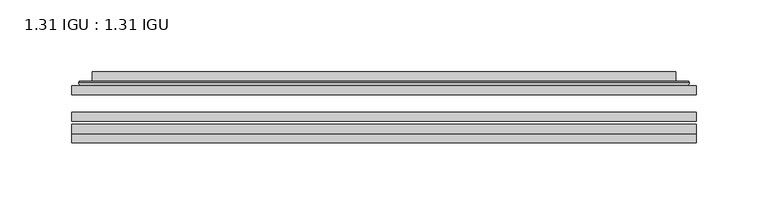
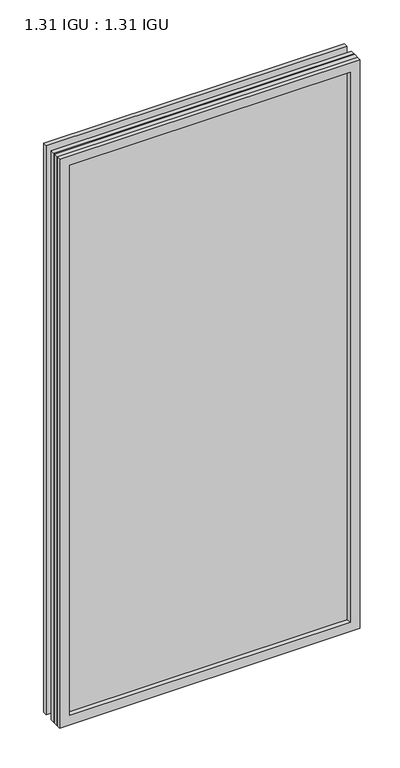
"""IFC4 building model written with IfcOpenShell, lengths in millimetres: plate geometry, 1.31 IGU : 1.31 IGU."""

from ifc_helpers import new_model, si_unit, frame, origin, place, context, project, spatial, polyline, ellipse_curve, outline, extrude, faceted_brep, source, transform, mapped, element, save
from ifc_brep_helpers import plane_surface, cylinder_surface, advanced_brep


def plate_1_31_igu_1_31_igu_93a244e7(model_context):
    return source(origin(), model_context, "Body", "SolidModel", [
        extrude(outline(polyline([(217.501675, -63.2975937), (217.501675, -69.6475938), (-217.4875, -69.6475938), (-217.4875, -63.2975937), (217.501675, -63.2975937)])), frame((0.0, 0.0, -14.2875), z_axis=(0.0, 0.0, 1.0), x_axis=(1.0, 0.0, 0.0)), (0.0, 0.0, 1.0), 869.9537979),
        extrude(outline(polyline([(-217.4875, -78.2835938), (-217.4875, -71.9330887), (217.501675, -71.9330887), (217.501675, -78.2835938), (-217.4875, -78.2835938)])), frame((0.0, 0.0, -14.2875), z_axis=(0.0, 0.0, 1.0), x_axis=(1.0, 0.0, 0.0)), (0.0, 0.0, 1.0), 869.9537979),
        extrude(outline(polyline([(217.501675, -44.9587937), (217.501675, -51.3087938), (-217.4875, -51.3087938), (-217.4875, -44.9587937), (217.501675, -44.9587937)])), frame((0.0, 0.0, -14.2875), z_axis=(0.0, 0.0, 1.0), x_axis=(1.0, 0.0, 0.0)), (0.0, 0.0, 1.0), 869.9537979),
        faceted_brep([(-217.5002, -84.6335937, 855.6752), (-217.5002, -78.2835937, 855.6752), (-217.5002, -78.2835937, -14.3002), (-217.5002, -84.6335937, -14.3002), (217.5002, -78.2835937, -14.3002), (217.5002, -84.6335937, -14.3002), (217.5002, -78.2835937, 855.6752), (217.5002, -84.6335937, 855.6752), (-202.3022559, -78.2835937, 0.8977441), (202.3022559, -78.2835937, 0.8977441), (202.3022559, -78.2835937, 840.4772559), (-202.3022559, -78.2835937, 840.4772559), (-203.1946902, -84.6335937, 841.3696902), (203.1946902, -84.6335937, 841.3696902), (203.1946902, -84.6335937, 0.0053098), (-203.1946902, -84.6335937, 0.0053098)], [[[0, 1, 2, 3]], [[3, 2, 4, 5]], [[5, 4, 6, 7]], [[1, 6, 4, 2], [8, 9, 10, 11]], [[7, 6, 1, 0]], [[3, 5, 7, 0], [12, 13, 14, 15]], [[11, 12, 15, 8]], [[8, 15, 14, 9]], [[9, 14, 13, 10]], [[10, 13, 12, 11]]]),
        advanced_brep(
        [(-210.246219, -44.9587937, 848.421219), (-212.6004244, -42.9691271, 850.7754244), (-212.6004244, -42.9691271, -9.4004244), (-210.246219, -44.9587937, -7.046219), (-201.1718939, -41.1187568, 839.3468939), (-196.2370621, -44.9587937, 834.4120621), (-196.2370621, -44.9587937, 6.9629379), (-201.1718939, -41.1187568, 2.0281061), (-202.2039217, -35.7215256, 840.3789217), (-202.2039217, -35.7215256, 0.9960783), (-203.1945784, -35.3225507, 841.3695784), (-203.1945784, -35.3225507, 0.0054216), (-203.1945784, -41.7837937, 841.3695784), (-203.1945784, -41.7837937, 0.0054216), (-211.5986349, -41.7837937, 849.7736349), (-211.5986349, -41.7837937, -8.3986349), (212.6004244, -42.9691271, -9.4004244), (210.246219, -44.9587937, -7.046219), (196.2370621, -44.9587937, 6.9629379), (201.1718939, -41.1187568, 2.0281061), (202.2039217, -35.7215256, 0.9960783), (203.1945784, -35.3225507, 0.0054216), (203.1945784, -41.7837937, 0.0054216), (211.5986349, -41.7837937, -8.3986349), (212.6004244, -42.9691271, 850.7754244), (210.246219, -44.9587937, 848.421219), (196.2370621, -44.9587937, 834.4120621), (201.1718939, -41.1187568, 839.3468939), (202.2039217, -35.7215256, 840.3789217), (203.1945784, -35.3225507, 841.3695784), (203.1945784, -41.7837937, 841.3695784), (211.5986349, -41.7837937, 849.7736349)],
        [
            (0, 1, ellipse_curve(frame((-210.246219, -42.5711937, 848.421219), z_axis=(-0.7071067811865475, 0.0, -0.7071067811865475), x_axis=(-0.7071067811865474, 0.0, 0.7071067811865476)), 3.3765763, 2.3876)),
            (1, 2),
            (2, 3, ellipse_curve(frame((-210.246219, -42.5711937, -7.046219), z_axis=(-0.7071067811865475, 0.0, 0.7071067811865475), x_axis=(0.7071067811865474, 0.0, 0.7071067811865476)), 3.3765763, 2.3876)),
            (3, 0),
            (4, 5),
            (5, 6),
            (6, 7),
            (7, 4),
            (8, 4),
            (7, 9),
            (9, 8),
            (10, 8, ellipse_curve(frame((-202.8276219, -35.840786, 841.0026219), z_axis=(-0.7071067811865475, 0.0, -0.7071067811865475), x_axis=(-0.7071067811865474, 0.0, 0.7071067811865476)), 0.8980256, 0.635)),
            (9, 11, ellipse_curve(frame((-202.8276219, -35.840786, 0.3723781), z_axis=(-0.7071067811865475, 0.0, 0.7071067811865475), x_axis=(0.7071067811865474, 0.0, 0.7071067811865476)), 0.8980256, 0.635)),
            (11, 10),
            (12, 10),
            (11, 13),
            (13, 12),
            (1, 14, ellipse_curve(frame((-211.5986349, -42.7997937, 849.7736349), z_axis=(-0.7071067811865475, 0.0, -0.7071067811865475), x_axis=(-0.7071067811865474, 0.0, 0.7071067811865476)), 1.436841, 1.016)),
            (14, 15),
            (15, 2, ellipse_curve(frame((-211.5986349, -42.7997937, -8.3986349), z_axis=(-0.7071067811865475, 0.0, 0.7071067811865475), x_axis=(0.7071067811865474, 0.0, 0.7071067811865476)), 1.436841, 1.016)),
            (2, 16),
            (16, 17, ellipse_curve(frame((210.246219, -42.5711937, -7.046219), z_axis=(-0.7071067811865475, 0.0, -0.7071067811865475), x_axis=(-0.7071067811865476, 0.0, 0.7071067811865474)), 3.3765763, 2.3876)),
            (17, 3),
            (6, 18),
            (18, 19),
            (19, 7),
            (19, 20),
            (20, 9),
            (20, 21, ellipse_curve(frame((202.8276219, -35.840786, 0.3723781), z_axis=(-0.7071067811865475, 0.0, -0.7071067811865475), x_axis=(-0.7071067811865476, 0.0, 0.7071067811865474)), 0.8980256, 0.635)),
            (21, 11),
            (21, 22),
            (22, 13),
            (15, 23),
            (23, 16, ellipse_curve(frame((211.5986349, -42.7997937, -8.3986349), z_axis=(-0.7071067811865475, 0.0, -0.7071067811865475), x_axis=(-0.7071067811865476, 0.0, 0.7071067811865474)), 1.436841, 1.016)),
            (16, 24),
            (24, 25, ellipse_curve(frame((210.246219, -42.5711937, 848.421219), z_axis=(0.7071067811865475, 0.0, -0.7071067811865475), x_axis=(-0.7071067811865474, 0.0, -0.7071067811865476)), 3.3765763, 2.3876)),
            (25, 17),
            (18, 26),
            (26, 27),
            (27, 19),
            (27, 28),
            (28, 20),
            (28, 29, ellipse_curve(frame((202.8276219, -35.840786, 841.0026219), z_axis=(0.7071067811865475, 0.0, -0.7071067811865475), x_axis=(-0.7071067811865474, 0.0, -0.7071067811865476)), 0.8980256, 0.635)),
            (29, 21),
            (29, 30),
            (30, 22),
            (23, 31),
            (31, 24, ellipse_curve(frame((211.5986349, -42.7997937, 849.7736349), z_axis=(0.7071067811865475, 0.0, -0.7071067811865475), x_axis=(-0.7071067811865474, 0.0, -0.7071067811865476)), 1.436841, 1.016)),
            (24, 1),
            (0, 25),
            (5, 26),
            (4, 27),
            (8, 28),
            (10, 29),
            (12, 30),
            (14, 31),
        ],
        [
            cylinder_surface(frame((-210.246219, -42.5711937, 873.125), z_axis=(0.0, 0.0, 1.0), x_axis=(-1.0, 0.0, 0.0)), 2.3876),
            plane_surface(frame((-196.2370621, -44.9587937, 834.4120621), z_axis=(0.6141233906514794, 0.7892100234124821, 0.0), x_axis=(0.0, 0.0, -1.0))),
            plane_surface(frame((-201.1718939, -41.1187568, 839.3468939), z_axis=(0.9822050625507729, 0.18781164793386074, 0.0), x_axis=(0.0, 0.0, -1.0))),
            cylinder_surface(frame((-202.8276219, -35.840786, 873.125), z_axis=(0.0, 0.0, 1.0), x_axis=(-1.0, 0.0, 0.0)), 0.635),
            plane_surface(frame((-203.1945784, -35.3225507, 841.3695784), z_axis=(-1.0, 0.0, 0.0), x_axis=(0.0, 0.0, -1.0))),
            cylinder_surface(frame((-211.5986349, -42.7997937, 873.125), z_axis=(0.0, 0.0, 1.0), x_axis=(-1.0, 0.0, 0.0)), 1.016),
            cylinder_surface(frame((-234.95, -42.5711937, -7.046219), z_axis=(-1.0, 0.0, 0.0), x_axis=(0.0, 0.0, -1.0)), 2.3876),
            plane_surface(frame((-196.2370621, -44.9587937, 6.9629379), z_axis=(0.0, 0.7892100234124841, 0.6141233906514768), x_axis=(1.0, 0.0, 0.0))),
            plane_surface(frame((-201.1718939, -41.1187568, 2.0281061), z_axis=(0.0, 0.18781164793386393, 0.9822050625507723), x_axis=(1.0, 0.0, 0.0))),
            cylinder_surface(frame((-234.95, -35.840786, 0.3723781), z_axis=(-1.0, 0.0, 0.0), x_axis=(0.0, 0.0, -1.0)), 0.635),
            plane_surface(frame((-203.1945784, -35.3225507, 0.0054216), z_axis=(0.0, 0.0, -1.0), x_axis=(1.0, 0.0, 0.0))),
            cylinder_surface(frame((-234.95, -42.7997937, -8.3986349), z_axis=(-1.0, 0.0, 0.0), x_axis=(0.0, 0.0, -1.0)), 1.016),
            cylinder_surface(frame((210.246219, -42.5711937, -31.75), z_axis=(0.0, 0.0, -1.0), x_axis=(1.0, 0.0, 0.0)), 2.3876),
            plane_surface(frame((196.2370621, -44.9587937, 6.9629379), z_axis=(-0.6141233906514743, 0.7892100234124861, 0.0), x_axis=(0.0, 0.0, 1.0))),
            plane_surface(frame((201.1718939, -41.1187568, 2.0281061), z_axis=(-0.9822050625507718, 0.18781164793386712, 0.0), x_axis=(0.0, 0.0, 1.0))),
            cylinder_surface(frame((202.8276219, -35.840786, -31.75), z_axis=(0.0, 0.0, -1.0), x_axis=(1.0, 0.0, 0.0)), 0.635),
            plane_surface(frame((203.1945784, -35.3225507, 0.0054216), z_axis=(1.0, 0.0, 0.0), x_axis=(0.0, 0.0, 1.0))),
            cylinder_surface(frame((211.5986349, -42.7997937, -31.75), z_axis=(0.0, 0.0, -1.0), x_axis=(1.0, 0.0, 0.0)), 1.016),
            cylinder_surface(frame((234.95, -42.5711937, 848.421219), z_axis=(1.0, 0.0, 0.0), x_axis=(0.0, 0.0, 1.0)), 2.3876),
            plane_surface(frame((210.246219, -44.9587937, 848.421219), z_axis=(0.0, -1.0, 0.0), x_axis=(-1.0, 0.0, 0.0))),
            plane_surface(frame((196.2370621, -44.9587937, 834.4120621), z_axis=(0.0, 0.7892100234124841, -0.6141233906514768), x_axis=(-1.0, 0.0, 0.0))),
            plane_surface(frame((201.1718939, -41.1187568, 839.3468939), z_axis=(0.0, 0.18781164793386393, -0.9822050625507723), x_axis=(-1.0, 0.0, 0.0))),
            cylinder_surface(frame((234.95, -35.840786, 841.0026219), z_axis=(1.0, 0.0, 0.0), x_axis=(0.0, 0.0, 1.0)), 0.635),
            plane_surface(frame((203.1945784, -35.3225507, 841.3695784), z_axis=(0.0, 0.0, 1.0), x_axis=(-1.0, 0.0, 0.0))),
            plane_surface(frame((203.1945784, -41.7837937, 841.3695784), z_axis=(0.0, 1.0, 0.0), x_axis=(-1.0, 0.0, 0.0))),
            cylinder_surface(frame((234.95, -42.7997937, 849.7736349), z_axis=(1.0, 0.0, 0.0), x_axis=(0.0, 0.0, 1.0)), 1.016),
        ],
        [
            (0, [[1, 2, 3, 4]]),
            (1, [[5, 6, 7, 8]]),
            (2, [[9, -8, 10, 11]]),
            (3, [[12, -11, 13, 14]]),
            (4, [[15, -14, 16, 17]]),
            (5, [[18, 19, 20, -2]]),
            (6, [[-3, 21, 22, 23]]),
            (7, [[-7, 24, 25, 26]]),
            (8, [[-10, -26, 27, 28]]),
            (9, [[-13, -28, 29, 30]]),
            (10, [[-16, -30, 31, 32]]),
            (11, [[-20, 33, 34, -21]]),
            (12, [[-22, 35, 36, 37]]),
            (13, [[-25, 38, 39, 40]]),
            (14, [[-27, -40, 41, 42]]),
            (15, [[-29, -42, 43, 44]]),
            (16, [[-31, -44, 45, 46]]),
            (17, [[-34, 47, 48, -35]]),
            (18, [[-36, 49, -1, 50]]),
            (19, [[-23, -37, -50, -4], [51, -38, -24, -6]]),
            (20, [[-39, -51, -5, 52]]),
            (21, [[-41, -52, -9, 53]]),
            (22, [[-43, -53, -12, 54]]),
            (23, [[-45, -54, -15, 55]]),
            (24, [[56, -47, -33, -19], [-32, -46, -55, -17]]),
            (25, [[-48, -56, -18, -49]]),
        ],
    ),
    ])


if __name__ == "__main__":
    model = new_model("IFC4")
    model_context = context("Model", 3, world=origin())
    ifc_project = project(units=[si_unit("LENGTHUNIT", "METRE", prefix="MILLI")], contexts=[model_context])
    site = spatial("IfcSite", under=ifc_project)
    building = spatial("IfcBuilding", under=site)
    placement = place(None, origin())
    plate_1_31_igu_1_31_igu_shape = plate_1_31_igu_1_31_igu_93a244e7(model_context)
    element("IfcPlate", 1, ObjectType="1.31 IGU : 1.31 IGU", at=placement, inside=building, context=model_context, shape_type="MappedRepresentation", body=[
        mapped(plate_1_31_igu_1_31_igu_shape, transform((0.0, 0.0, 0.0), x_axis=(1.0, 0.0, 0.0), y_axis=(0.0, 1.0, 0.0), z_axis=(0.0, 0.0, 1.0))),
    ])
    save(model, "model.ifc")
